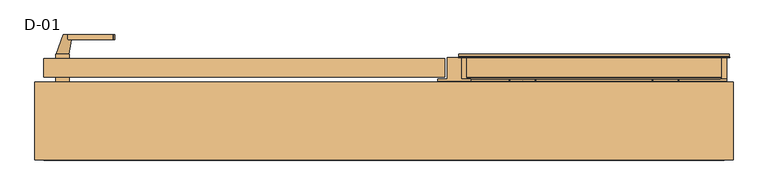
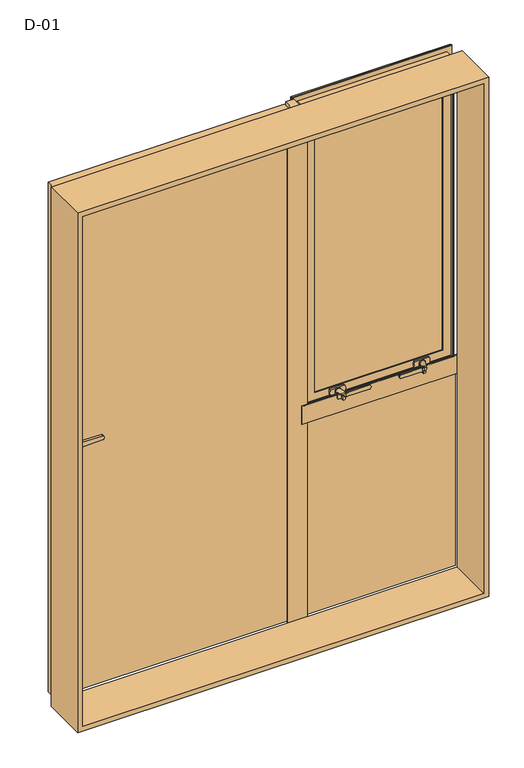
"""IFC4 building model written with IfcOpenShell, lengths in millimetres: door geometry, D-01."""

from ifc_helpers import new_model, si_unit, point, frame, frame_2d, origin, place, context, project, spatial, polyline, circle_curve, ellipse_curve, trimmed, segment, composite_curve, outline, extrude, source, transform, mapped, element, save
from ifc_brep_helpers import plane_surface, cylinder_surface, revolved_surface, spline_surface, advanced_brep


def d_01_6c0d4c41(model_context):
    return source(origin(), model_context, "Body", "SolidModel", [
        extrude(outline(polyline([(692.4, 81.9927198), (202.6, 81.9927198), (202.6, 107.9927198), (692.4, 107.9927198), (692.4, 81.9927198)])), frame((0.0, 0.0, 852.6000396), z_axis=(0.0, 0.0, 1.0), x_axis=(1.0, 0.0, 0.0)), (0.0, 0.0, 1.0), 1089.8),
        extrude(outline(polyline([(723.0, 74.3927452), (172.0, 74.3927452), (172.0, 100.3927452), (723.0, 100.3927452), (723.0, 74.3927452)])), frame((0.0, 0.0, 26.9999604), z_axis=(0.0, 0.0, 1.0), x_axis=(1.0, 0.0, 0.0)), (0.0, 0.0, 1.0), 751.0000396),
        extrude(outline(polyline([(1993.8, 743.8), (1993.8, -743.8), (6.2, -743.8), (6.2, 743.8), (1993.8, 743.8)]), holes=[polyline([(24.7, 725.3), (24.7, -725.3), (1975.3, -725.3), (1975.3, 725.3), (24.7, 725.3)])]), frame((0.0, -100.0, 0.0), z_axis=(0.0, 1.0, 0.0), x_axis=(0.0, 0.0, 1.0)), (0.0, 0.0, 1.0), 165.9999813),
        advanced_brep(
        [(679.4, 115.322822, 1929.4000396), (679.4, 115.322822, 865.6000396), (677.2575034, 107.9927198, 867.7425361), (677.2575034, 107.9927198, 1927.257543), (699.4, 107.9927198, 845.6000396), (699.4, 107.9927198, 1949.4000396), (195.6, 107.9927198, 1949.4000396), (195.6, 107.9927198, 845.6000396), (217.7424966, 107.9927198, 867.7425361), (217.7424966, 107.9927198, 1927.257543), (215.6, 115.322822, 865.6000396), (679.4, 126.5999122, 1929.4000396), (679.4, 126.5999122, 865.6000396), (215.6, 126.5999122, 865.6000396), (699.4, 126.5999122, 1949.4000396), (699.4, 126.5999122, 845.6000396), (195.6, 126.5999122, 845.6000396), (195.6, 126.5999122, 1949.4000396), (215.6, 126.5999122, 1929.4000396), (215.6, 115.322822, 1929.4000396)],
        [
            (0, 1),
            (1, 2, ellipse_curve(frame((659.7925883, 117.0756581, 885.2074513), z_axis=(-0.7071067811865475, 0.0, -0.7071067811865475), x_axis=(0.7071067811865474, 0.0, -0.7071067811865476)), 27.839649, 19.6856046)),
            (2, 3),
            (3, 0, ellipse_curve(frame((659.7925883, 117.0756581, 1909.7926278), z_axis=(-0.7071067811865475, 0.0, 0.7071067811865475), x_axis=(-0.7071067811865474, 0.0, -0.7071067811865476)), 27.839649, 19.6856046)),
            (4, 5),
            (5, 6),
            (6, 7),
            (7, 4),
            (2, 8),
            (8, 9),
            (9, 3),
            (1, 10),
            (10, 8, ellipse_curve(frame((235.2074117, 117.0756581, 885.2074513), z_axis=(-0.7071067811865475, 0.0, 0.7071067811865475), x_axis=(-0.7071067811865476, 0.0, -0.7071067811865474)), 27.839649, 19.6856046)),
            (11, 12),
            (12, 1),
            (0, 11),
            (12, 13),
            (13, 10),
            (14, 15),
            (15, 16),
            (16, 17),
            (17, 14),
            (11, 18),
            (18, 13),
            (4, 15),
            (14, 5),
            (7, 16),
            (10, 19),
            (19, 9, ellipse_curve(frame((235.2074117, 117.0756581, 1909.7926278), z_axis=(0.7071067811865475, 0.0, 0.7071067811865475), x_axis=(-0.7071067811865474, 0.0, 0.7071067811865476)), 27.839649, 19.6856046)),
            (18, 19),
            (6, 17),
            (19, 0),
        ],
        [
            revolved_surface(polyline([(679.4781929000001, 117.0756581, 865.5218467062466), (679.4781929000001, 117.0756581, 1929.4782323937534)]), (659.7925883, 117.0756581, 1949.4000396), (0.0, 0.0, -1.0)),
            plane_surface(frame((195.6, 107.9927198, 1949.4000396), z_axis=(0.0, -1.0, 0.0), x_axis=(1.0, 0.0, 0.0))),
            revolved_surface(polyline([(215.52180710624668, 117.0756581, 865.5218467), (679.4781928937533, 117.0756581, 865.5218467)]), (699.4, 117.0756581, 885.2074513), (-1.0, 0.0, 0.0)),
            plane_surface(frame((679.4, 115.322822, 1929.4000396), z_axis=(-1.0, 0.0, 0.0), x_axis=(0.0, 0.0, -1.0))),
            plane_surface(frame((679.4, 115.322822, 865.6000396), z_axis=(0.0, 0.0, 1.0), x_axis=(-1.0, 0.0, 0.0))),
            plane_surface(frame((215.6, 126.5999122, 1929.4000396), z_axis=(0.0, 1.0, 0.0), x_axis=(1.0, 0.0, 0.0))),
            plane_surface(frame((699.4, 126.5999122, 1949.4000396), z_axis=(1.0, 0.0, 0.0), x_axis=(0.0, 0.0, -1.0))),
            plane_surface(frame((699.4, 126.5999122, 845.6000396), z_axis=(0.0, 0.0, -1.0), x_axis=(-1.0, 0.0, 0.0))),
            revolved_surface(polyline([(215.5218071, 117.0756581, 1929.4782323937534), (215.5218071, 117.0756581, 865.5218467062467)]), (235.2074117, 117.0756581, 845.6000396), (0.0, 0.0, 1.0)),
            plane_surface(frame((215.6, 115.322822, 865.6000396), z_axis=(1.0, 0.0, 0.0), x_axis=(0.0, 0.0, 1.0))),
            plane_surface(frame((195.6, 126.5999122, 845.6000396), z_axis=(-1.0, 0.0, 0.0), x_axis=(0.0, 0.0, 1.0))),
            revolved_surface(polyline([(679.4781928937533, 117.0756581, 1929.4782324), (215.5218071062467, 117.0756581, 1929.4782324)]), (195.6, 117.0756581, 1909.7926278), (1.0, 0.0, 0.0)),
            plane_surface(frame((215.6, 115.322822, 1929.4000396), z_axis=(0.0, 0.0, -1.0), x_axis=(1.0, 0.0, 0.0))),
            plane_surface(frame((195.6, 126.5999122, 1949.4000396), z_axis=(0.0, 0.0, 1.0), x_axis=(1.0, 0.0, 0.0))),
        ],
        [
            (0, [[1, 2, 3, 4]]),
            (1, [[5, 6, 7, 8], [-3, 9, 10, 11]]),
            (2, [[12, 13, -9, -2]]),
            (3, [[14, 15, -1, 16]]),
            (4, [[17, 18, -12, -15]]),
            (5, [[19, 20, 21, 22], [-14, 23, 24, -17]]),
            (6, [[-5, 25, -19, 26]]),
            (7, [[-8, 27, -20, -25]]),
            (8, [[28, 29, -10, -13]]),
            (9, [[-24, 30, -28, -18]]),
            (10, [[-7, 31, -21, -27]]),
            (11, [[32, -4, -11, -29]]),
            (12, [[-23, -16, -32, -30]]),
            (13, [[-6, -26, -22, -31]]),
        ],
    ),
        extrude(outline(composite_curve([segment(polyline([(826.7, 591.567995), (826.7, 594.432005)]), True, "CONTINUOUS"), segment(trimmed(circle_curve(frame_2d((829.7, 594.432005)), 3.0), [point((826.7, 594.432005))], [point((829.5429921, 597.4278936))], False, "CARTESIAN"), True, "CONTINUOUS"), segment(polyline([(829.5429921, 597.4278936), (850.0, 598.5), (850.0, 587.5), (829.5429921, 588.5721064)]), True, "CONTINUOUS"), segment(trimmed(circle_curve(frame_2d((829.7, 591.567995)), 3.0), [point((829.5429921, 588.5721064))], [point((826.7, 591.567995))], False, "CARTESIAN"), True, "CONTINUOUS")], self_intersect=False)), frame((0.0, 42.4999039, 0.0), z_axis=(0.0, 1.0, 0.0), x_axis=(0.0, 0.0, 1.0)), (0.0, 0.0, 1.0), 4.9),
        extrude(outline(composite_curve([segment(polyline([(822.7, 596.2776261), (822.7, 601.7223739)]), True, "CONTINUOUS"), segment(trimmed(circle_curve(frame_2d((825.7, 601.7223739)), 3.0), [point((822.7, 601.7223739))], [point((825.5429921, 604.7182625))], False, "CARTESIAN"), True, "CONTINUOUS"), segment(polyline([(825.5429921, 604.7182625), (850.0, 606.0), (850.0, 592.0), (825.5429921, 593.2817375)]), True, "CONTINUOUS"), segment(trimmed(circle_curve(frame_2d((825.7, 596.2776261)), 3.0), [point((825.5429921, 593.2817375))], [point((822.7, 596.2776261))], False, "CARTESIAN"), True, "CONTINUOUS")], self_intersect=False)), frame((0.0, 59.2999039, 0.0), z_axis=(0.0, 1.0, 0.0), x_axis=(0.0, 0.0, 1.0)), (0.0, 0.0, 1.0), 5.3),
        extrude(outline(composite_curve([segment(trimmed(circle_curve(frame_2d((855.2, 503.2340659)), 2.0), [point((857.2, 503.2340659))], [point((855.9427814, 501.3771125))], False, "CARTESIAN"), True, "CONTINUOUS"), segment(polyline([(855.9427814, 501.3771125), (851.4855627, 499.5942251)]), True, "CONTINUOUS"), segment(trimmed(circle_curve(frame_2d((850.0, 503.3081318)), 4.0), [point((851.4855627, 499.5942251))], [point((848.5144373, 499.5942251))], False, "CARTESIAN"), True, "CONTINUOUS"), segment(polyline([(848.5144373, 499.5942251), (844.0572186, 501.3771125)]), True, "CONTINUOUS"), segment(trimmed(circle_curve(frame_2d((844.8, 503.2340659)), 2.0), [point((844.0572186, 501.3771125))], [point((842.8, 503.2340659))], False, "CARTESIAN"), True, "CONTINUOUS"), segment(polyline([(842.8, 503.2340659), (842.8, 589.0), (857.2, 589.0), (857.2, 503.2340659)]), True, "CONTINUOUS")], self_intersect=False)), frame((0.0, 34.5999039, 0.0), z_axis=(0.0, 1.0, 0.0), x_axis=(0.0, 0.0, 1.0)), (0.0, 0.0, 1.0), 7.0),
        extrude(outline(composite_curve([segment(trimmed(circle_curve(frame_2d((850.0, 600.0)), 7.0), [point((850.0, 607.0))], [point((850.0, 593.0))], False, "CARTESIAN"), True, "CONTINUOUS"), segment(trimmed(circle_curve(frame_2d((850.0, 600.0)), 7.0), [point((850.0, 593.0))], [point((850.0, 607.0))], False, "CARTESIAN"), True, "CONTINUOUS")], self_intersect=False)), frame((0.0, 64.5999039, 0.0), z_axis=(0.0, 1.0, 0.0), x_axis=(0.0, 0.0, 1.0)), (0.0, 0.0, 1.0), 1.5),
        advanced_brep(
        [(596.5, 34.5999039, 850.0), (581.5, 34.5999039, 850.0), (609.0, 64.5999039, 850.0), (591.0, 64.5999039, 850.0)],
        [
            (0, 1, circle_curve(frame((589.0, 34.5999039, 850.0), z_axis=(0.0, -1.0, 0.0), x_axis=(-1.0, 0.0, 0.0)), 7.5)),
            (1, 0, circle_curve(frame((589.0, 34.5999039, 850.0), z_axis=(0.0, -1.0, 0.0), x_axis=(-1.0, 0.0, 0.0)), 7.5)),
            (2, 3, circle_curve(frame((600.0, 64.5999039, 850.0), z_axis=(0.0, 1.0, 0.0), x_axis=(-1.0, 0.0, 0.0)), 9.0)),
            (3, 2, circle_curve(frame((600.0, 64.5999039, 850.0), z_axis=(0.0, 1.0, 0.0), x_axis=(-1.0, 0.0, 0.0)), 9.0)),
            (2, 0),
            (1, 3),
        ],
        [
            plane_surface(frame((589.0, 34.5999039, 850.0), z_axis=(0.0, -1.0, 0.0), x_axis=(0.0, 0.0, -1.0))),
            plane_surface(frame((600.0, 64.5999039, 850.0), z_axis=(0.0, 1.0, 0.0), x_axis=(0.0, 0.0, -1.0))),
            spline_surface(1, 2, [[(609.0, 64.5999039, 850.0), (609.0, 64.5999039, 841.0), (600.0, 64.5999039, 841.0), (591.0, 64.5999039, 841.0), (591.0, 64.5999039, 850.0)], [(596.5, 34.5999039, 850.0), (596.5, 34.5999039, 842.5), (589.0, 34.5999039, 842.5), (581.5, 34.5999039, 842.5), (581.5, 34.5999039, 850.0)]], [2, 2], [3, 2, 3], [0.0, 1.0], [0.0, 1.0, 2.0], weights=[[1.0, 0.7071067811865476, 1.0, 0.7071067811865476, 1.0], [1.0, 0.7071067811865476, 1.0, 0.7071067811865476, 1.0]]),
            spline_surface(1, 2, [[(591.0, 64.5999039, 850.0), (591.0, 64.5999039, 859.0), (600.0, 64.5999039, 859.0), (609.0, 64.5999039, 859.0), (609.0, 64.5999039, 850.0)], [(581.5, 34.5999039, 850.0), (581.5, 34.5999039, 857.5), (589.0, 34.5999039, 857.5), (596.5, 34.5999039, 857.5), (596.5, 34.5999039, 850.0)]], [2, 2], [3, 2, 3], [0.0, 1.0], [0.0, 1.0, 2.0], weights=[[1.0, 0.7071067811865476, 1.0, 0.7071067811865476, 1.0], [1.0, 0.7071067811865476, 1.0, 0.7071067811865476, 1.0]]),
        ],
        [
            (0, [[1, 2]]),
            (1, [[3, 4]]),
            (2, [[5, -2, 6, -3]]),
            (3, [[-6, -1, -5, -4]]),
        ],
    ),
        extrude(outline(composite_curve([segment(trimmed(circle_curve(frame_2d((850.0, 600.0)), 10.6), [point((850.0, 610.6))], [point((850.0, 589.4))], False, "CARTESIAN"), True, "CONTINUOUS"), segment(polyline([(850.0, 589.4), (838.95, 589.4), (838.95, 610.6), (850.0, 610.6)]), True, "CONTINUOUS")], self_intersect=False)), frame((0.0, 66.0999039, 0.0), z_axis=(0.0, 1.0, 0.0), x_axis=(0.0, 0.0, 1.0)), (0.0, 0.0, 1.0), 2.8),
        extrude(outline(composite_curve([segment(polyline([(838.95, 574.0), (838.95, 626.0)]), True, "CONTINUOUS"), segment(trimmed(circle_curve(frame_2d((850.0, 603.2967472)), 25.2495582), [point((838.95, 626.0))], [point((861.05, 626.0))], False, "CARTESIAN"), True, "CONTINUOUS"), segment(polyline([(861.05, 626.0), (861.05, 574.0)]), True, "CONTINUOUS"), segment(trimmed(circle_curve(frame_2d((850.0, 596.7032528)), 25.2495582), [point((861.05, 574.0))], [point((838.95, 574.0))], False, "CARTESIAN"), True, "CONTINUOUS")], self_intersect=False)), frame((0.0, 68.8999039, 0.0), z_axis=(0.0, 1.0, 0.0), x_axis=(0.0, 0.0, 1.0)), (0.0, 0.0, 1.0), 6.7),
        extrude(outline(composite_curve([segment(trimmed(circle_curve(frame_2d((829.7, 303.432005)), 3.0), [point((826.7, 303.432005))], [point((829.5429921, 306.4278936))], False, "CARTESIAN"), True, "CONTINUOUS"), segment(polyline([(829.5429921, 306.4278936), (850.0, 307.5), (850.0, 296.5), (829.5429921, 297.5721064)]), True, "CONTINUOUS"), segment(trimmed(circle_curve(frame_2d((829.7, 300.567995)), 3.0), [point((829.5429921, 297.5721064))], [point((826.7, 300.567995))], False, "CARTESIAN"), True, "CONTINUOUS"), segment(polyline([(826.7, 300.567995), (826.7, 303.432005)]), True, "CONTINUOUS")], self_intersect=False)), frame((0.0, 42.4999039, 0.0), z_axis=(0.0, 1.0, 0.0), x_axis=(0.0, 0.0, 1.0)), (0.0, 0.0, 1.0), 4.9),
        extrude(outline(composite_curve([segment(trimmed(circle_curve(frame_2d((825.7, 298.7223739)), 3.0), [point((822.7, 298.7223739))], [point((825.5429921, 301.7182625))], False, "CARTESIAN"), True, "CONTINUOUS"), segment(polyline([(825.5429921, 301.7182625), (850.0, 303.0), (850.0, 289.0), (825.5429921, 290.2817375)]), True, "CONTINUOUS"), segment(trimmed(circle_curve(frame_2d((825.7, 293.2776261)), 3.0), [point((825.5429921, 290.2817375))], [point((822.7, 293.2776261))], False, "CARTESIAN"), True, "CONTINUOUS"), segment(polyline([(822.7, 293.2776261), (822.7, 298.7223739)]), True, "CONTINUOUS")], self_intersect=False)), frame((0.0, 59.2999039, 0.0), z_axis=(0.0, 1.0, 0.0), x_axis=(0.0, 0.0, 1.0)), (0.0, 0.0, 1.0), 5.3),
        extrude(outline(composite_curve([segment(polyline([(857.2, 391.7659341), (857.2, 306.0), (842.8, 306.0), (842.8, 391.7659341)]), True, "CONTINUOUS"), segment(trimmed(circle_curve(frame_2d((844.8, 391.7659341)), 2.0), [point((842.8, 391.7659341))], [point((844.0572186, 393.6228875))], False, "CARTESIAN"), True, "CONTINUOUS"), segment(polyline([(844.0572186, 393.6228875), (848.5144373, 395.4057749)]), True, "CONTINUOUS"), segment(trimmed(circle_curve(frame_2d((850.0, 391.6918682)), 4.0), [point((848.5144373, 395.4057749))], [point((851.4855627, 395.4057749))], False, "CARTESIAN"), True, "CONTINUOUS"), segment(polyline([(851.4855627, 395.4057749), (855.9427814, 393.6228875)]), True, "CONTINUOUS"), segment(trimmed(circle_curve(frame_2d((855.2, 391.7659341)), 2.0), [point((855.9427814, 393.6228875))], [point((857.2, 391.7659341))], False, "CARTESIAN"), True, "CONTINUOUS")], self_intersect=False)), frame((0.0, 34.5999039, 0.0), z_axis=(0.0, 1.0, 0.0), x_axis=(0.0, 0.0, 1.0)), (0.0, 0.0, 1.0), 7.0),
        extrude(outline(composite_curve([segment(trimmed(circle_curve(frame_2d((850.0, 295.0)), 7.0), [point((850.0, 288.0))], [point((850.0, 302.0))], False, "CARTESIAN"), True, "CONTINUOUS"), segment(trimmed(circle_curve(frame_2d((850.0, 295.0)), 7.0), [point((850.0, 302.0))], [point((850.0, 288.0))], False, "CARTESIAN"), True, "CONTINUOUS")], self_intersect=False)), frame((0.0, 64.5999039, 0.0), z_axis=(0.0, 1.0, 0.0), x_axis=(0.0, 0.0, 1.0)), (0.0, 0.0, 1.0), 1.5),
        advanced_brep(
        [(298.5, 34.5999039, 850.0), (313.5, 34.5999039, 850.0), (286.0, 64.5999039, 850.0), (304.0, 64.5999039, 850.0)],
        [
            (0, 1, circle_curve(frame((306.0, 34.5999039, 850.0), z_axis=(0.0, -1.0, 0.0), x_axis=(1.0, 0.0, 0.0)), 7.5)),
            (1, 0, circle_curve(frame((306.0, 34.5999039, 850.0), z_axis=(0.0, -1.0, 0.0), x_axis=(1.0, 0.0, 0.0)), 7.5)),
            (2, 3, circle_curve(frame((295.0, 64.5999039, 850.0), z_axis=(0.0, 1.0, 0.0), x_axis=(1.0, 0.0, 0.0)), 9.0)),
            (3, 2, circle_curve(frame((295.0, 64.5999039, 850.0), z_axis=(0.0, 1.0, 0.0), x_axis=(1.0, 0.0, 0.0)), 9.0)),
            (3, 1),
            (0, 2),
        ],
        [
            plane_surface(frame((306.0, 34.5999039, 850.0), z_axis=(0.0, -1.0, 0.0), x_axis=(0.0, 0.0, -1.0))),
            plane_surface(frame((295.0, 64.5999039, 850.0), z_axis=(0.0, 1.0, 0.0), x_axis=(0.0, 0.0, -1.0))),
            spline_surface(2, 1, [[(286.0, 64.5999039, 850.0), (298.5, 34.5999039, 850.0)], [(286.0, 64.5999039, 841.0), (298.5, 34.5999039, 842.5)], [(295.0, 64.5999039, 841.0), (306.0, 34.5999039, 842.5)], [(304.0, 64.5999039, 841.0), (313.5, 34.5999039, 842.5)], [(304.0, 64.5999039, 850.0), (313.5, 34.5999039, 850.0)]], [3, 2, 3], [2, 2], [0.0, 1.0, 2.0], [0.0, 1.0], weights=[[1.0, 1.0], [0.7071067811865476, 0.7071067811865476], [1.0, 1.0], [0.7071067811865476, 0.7071067811865476], [1.0, 1.0]]),
            spline_surface(2, 1, [[(304.0, 64.5999039, 850.0), (313.5, 34.5999039, 850.0)], [(304.0, 64.5999039, 859.0), (313.5, 34.5999039, 857.5)], [(295.0, 64.5999039, 859.0), (306.0, 34.5999039, 857.5)], [(286.0, 64.5999039, 859.0), (298.5, 34.5999039, 857.5)], [(286.0, 64.5999039, 850.0), (298.5, 34.5999039, 850.0)]], [3, 2, 3], [2, 2], [0.0, 1.0, 2.0], [0.0, 1.0], weights=[[1.0, 1.0], [0.7071067811865476, 0.7071067811865476], [1.0, 1.0], [0.7071067811865476, 0.7071067811865476], [1.0, 1.0]]),
        ],
        [
            (0, [[1, 2]]),
            (1, [[3, 4]]),
            (2, [[-4, 5, -1, 6]]),
            (3, [[-3, -6, -2, -5]]),
        ],
    ),
        extrude(outline(composite_curve([segment(polyline([(850.0, 284.4), (838.95, 284.4), (838.95, 305.6), (850.0, 305.6)]), True, "CONTINUOUS"), segment(trimmed(circle_curve(frame_2d((850.0, 295.0)), 10.6), [point((850.0, 305.6))], [point((850.0, 284.4))], False, "CARTESIAN"), True, "CONTINUOUS")], self_intersect=False)), frame((0.0, 66.0999039, 0.0), z_axis=(0.0, 1.0, 0.0), x_axis=(0.0, 0.0, 1.0)), (0.0, 0.0, 1.0), 2.8),
        extrude(outline(composite_curve([segment(trimmed(circle_curve(frame_2d((850.0, 298.2967472)), 25.2495582), [point((838.95, 321.0))], [point((861.05, 321.0))], False, "CARTESIAN"), True, "CONTINUOUS"), segment(polyline([(861.05, 321.0), (861.05, 269.0)]), True, "CONTINUOUS"), segment(trimmed(circle_curve(frame_2d((850.0, 291.7032528)), 25.2495582), [point((861.05, 269.0))], [point((838.95, 269.0))], False, "CARTESIAN"), True, "CONTINUOUS"), segment(polyline([(838.95, 269.0), (838.95, 321.0)]), True, "CONTINUOUS")], self_intersect=False)), frame((0.0, 68.8999039, 0.0), z_axis=(0.0, 1.0, 0.0), x_axis=(0.0, 0.0, 1.0)), (0.0, 0.0, 1.0), 6.7),
        advanced_brep(
        [(735.8588651, 121.9999121, 1985.8588651), (735.8588651, 121.9999121, 809.1411349), (735.8588651, 126.5999121, 809.1411349), (735.8588651, 126.5999121, 1985.8588651), (159.1411349, 126.5999121, 1985.8588651), (159.1411349, 126.5999121, 809.1411349), (699.3588651, 126.5999121, 1949.3588651), (195.6411349, 126.5999121, 1949.3588651), (195.6411349, 126.5999121, 845.6411349), (699.3588651, 126.5999121, 845.6411349), (159.1411349, 121.9999121, 809.1411349), (159.1411349, 121.9999121, 1985.8588651), (161.2462336, 121.9999121, 1983.7537664), (733.7537664, 121.9999121, 1983.7537664), (733.7537664, 121.9999121, 811.2462336), (161.2462336, 121.9999121, 811.2462336), (736.4637148, 119.9946866, 1986.4637148), (736.4637148, 119.9946866, 808.5362852), (158.5362852, 119.9946866, 808.5362852), (737.2086873, 118.9999537, 1987.2086873), (737.2086873, 118.9999537, 807.7913127), (157.7913127, 118.9999537, 807.7913127), (157.7913127, 118.9999537, 1987.2086873), (176.6411322, 118.9999537, 1968.3588678), (718.3588678, 118.9999537, 1968.3588678), (718.3588678, 118.9999537, 826.6411322), (176.6411322, 118.9999537, 826.6411322), (718.3588678, 76.0999005, 1968.3588678), (718.3588678, 76.0999005, 826.6411322), (176.6411322, 76.0999005, 826.6411322), (717.8588679, 75.5999006, 1967.8588679), (717.8588679, 75.5999006, 827.1411321), (177.1411321, 75.5999006, 827.1411321), (718.144223, 74.6078271, 1968.144223), (718.144223, 74.6078271, 826.855777), (176.855777, 74.6078271, 826.855777), (715.4347904, 72.6034445, 1965.4347904), (715.4347904, 72.6034445, 829.5652096), (179.5652096, 72.6034445, 829.5652096), (179.5652096, 72.6034445, 1965.4347904), (182.9650333, 72.6034445, 1962.0349667), (712.0349667, 72.6034445, 1962.0349667), (712.0349667, 72.6034445, 832.9650333), (182.9650333, 72.6034445, 832.9650333), (708.8054323, 74.6078271, 1958.8054323), (708.8054323, 74.6078271, 836.1945677), (186.1945677, 74.6078271, 836.1945677), (708.340576, 75.5999039, 1958.340576), (708.340576, 75.5999039, 836.659424), (186.659424, 75.5999039, 836.659424), (186.659424, 75.5999039, 1958.340576), (215.6411291, 75.5999039, 1929.3588709), (679.3588709, 75.5999039, 1929.3588709), (679.3588709, 75.5999039, 865.6411291), (215.6411291, 75.5999039, 865.6411291), (679.3588709, 80.1999039, 1929.3588709), (679.3588709, 80.1999039, 865.6411291), (215.6411291, 80.1999039, 865.6411291), (195.6411349, 80.1999039, 1949.3588651), (699.3588651, 80.1999039, 1949.3588651), (699.3588651, 80.1999039, 845.6411349), (195.6411349, 80.1999039, 845.6411349), (215.6411291, 80.1999039, 1929.3588709), (158.5362852, 119.9946866, 1986.4637148), (176.6411322, 76.0999005, 1968.3588678), (177.1411321, 75.5999006, 1967.8588679), (176.855777, 74.6078271, 1968.144223), (186.1945677, 74.6078271, 1958.8054323)],
        [
            (0, 1),
            (1, 2),
            (2, 3),
            (3, 0),
            (4, 3),
            (2, 5),
            (5, 4),
            (6, 7),
            (7, 8),
            (8, 9),
            (9, 6),
            (1, 10),
            (10, 5),
            (0, 11),
            (11, 10),
            (12, 13),
            (13, 14),
            (14, 15),
            (15, 12),
            (16, 17),
            (17, 14, ellipse_curve(frame((737.5848432, 124.3436113, 807.4151568), z_axis=(-0.7071067811865475, 0.0, -0.7071067811865475), x_axis=(0.7071067811865474, 0.0, -0.7071067811865476)), 6.3513896, 4.4911107)),
            (13, 16, ellipse_curve(frame((737.5848432, 124.3436113, 1987.5848432), z_axis=(-0.7071067811865475, 0.0, 0.7071067811865475), x_axis=(-0.7071067811865474, 0.0, -0.7071067811865476)), 6.3513896, 4.4911107)),
            (17, 18),
            (18, 15, ellipse_curve(frame((157.4151568, 124.3436113, 807.4151568), z_axis=(-0.7071067811865475, 0.0, 0.7071067811865475), x_axis=(-0.7071067811865476, 0.0, -0.7071067811865474)), 6.3513896, 4.4911107)),
            (19, 20),
            (20, 17),
            (16, 19),
            (20, 21),
            (21, 18),
            (19, 22),
            (22, 21),
            (23, 24),
            (24, 25),
            (25, 26),
            (26, 23),
            (27, 28),
            (28, 25),
            (24, 27),
            (28, 29),
            (29, 26),
            (30, 31),
            (31, 28, ellipse_curve(frame((717.8588679, 76.0999005, 827.1411321), z_axis=(0.7071067811865475, 0.0, 0.7071067811865475), x_axis=(-0.7071067811865474, 0.0, 0.7071067811865476)), 0.7071066, 0.4999999)),
            (27, 30, ellipse_curve(frame((717.8588679, 76.0999005, 1967.8588679), z_axis=(0.7071067811865475, 0.0, -0.7071067811865475), x_axis=(0.7071067811865474, 0.0, 0.7071067811865476)), 0.7071066, 0.4999999)),
            (31, 32),
            (32, 29, ellipse_curve(frame((177.1411321, 76.0999005, 827.1411321), z_axis=(0.7071067811865475, 0.0, -0.7071067811865475), x_axis=(0.7071067811865476, 0.0, 0.7071067811865474)), 0.7071066, 0.4999999)),
            (33, 34),
            (34, 31),
            (30, 33),
            (34, 35),
            (35, 32),
            (36, 37),
            (37, 34, ellipse_curve(frame((719.2653514, 70.2589024, 825.7346486), z_axis=(-0.7071067811865475, 0.0, -0.7071067811865475), x_axis=(0.7071067811865474, 0.0, -0.7071067811865476)), 6.3513896, 4.4911107)),
            (33, 36, ellipse_curve(frame((719.2653514, 70.2589024, 1969.2653514), z_axis=(-0.7071067811865475, 0.0, 0.7071067811865475), x_axis=(-0.7071067811865474, 0.0, -0.7071067811865476)), 6.3513896, 4.4911107)),
            (37, 38),
            (38, 35, ellipse_curve(frame((175.7346486, 70.2589024, 825.7346486), z_axis=(-0.7071067811865475, 0.0, 0.7071067811865475), x_axis=(-0.7071067811865476, 0.0, -0.7071067811865474)), 6.3513896, 4.4911107)),
            (36, 39),
            (39, 38),
            (40, 41),
            (41, 42),
            (42, 43),
            (43, 40),
            (44, 45),
            (45, 42, ellipse_curve(frame((708.5540914, 70.5988943, 836.4459086), z_axis=(-0.7071067811865475, 0.0, -0.7071067811865475), x_axis=(0.7071067811865474, 0.0, -0.7071067811865476)), 5.6806187, 4.016804)),
            (41, 44, ellipse_curve(frame((708.5540914, 70.5988943, 1958.5540914), z_axis=(-0.7071067811865475, 0.0, 0.7071067811865475), x_axis=(-0.7071067811865474, 0.0, -0.7071067811865476)), 5.6806187, 4.016804)),
            (45, 46),
            (46, 43, ellipse_curve(frame((186.4459086, 70.5988943, 836.4459086), z_axis=(-0.7071067811865475, 0.0, 0.7071067811865475), x_axis=(-0.7071067811865476, 0.0, -0.7071067811865474)), 5.6806187, 4.016804)),
            (47, 48),
            (48, 45),
            (44, 47),
            (48, 49),
            (49, 46),
            (47, 50),
            (50, 49),
            (51, 52),
            (52, 53),
            (53, 54),
            (54, 51),
            (55, 56),
            (56, 53),
            (52, 55),
            (56, 57),
            (57, 54),
            (58, 59),
            (59, 60),
            (60, 61),
            (61, 58),
            (55, 62),
            (62, 57),
            (9, 60),
            (59, 6),
            (8, 61),
            (11, 4),
            (18, 63),
            (63, 12, ellipse_curve(frame((157.4151568, 124.3436113, 1987.5848432), z_axis=(0.7071067811865475, 0.0, 0.7071067811865475), x_axis=(-0.7071067811865474, 0.0, 0.7071067811865476)), 6.3513896, 4.4911107)),
            (22, 63),
            (29, 64),
            (64, 23),
            (32, 65),
            (65, 64, ellipse_curve(frame((177.1411321, 76.0999005, 1967.8588679), z_axis=(-0.7071067811865475, 0.0, -0.7071067811865475), x_axis=(0.7071067811865474, 0.0, -0.7071067811865476)), 0.7071066, 0.4999999)),
            (35, 66),
            (66, 65),
            (39, 66, ellipse_curve(frame((175.7346486, 70.2589024, 1969.2653514), z_axis=(0.7071067811865475, 0.0, 0.7071067811865475), x_axis=(-0.7071067811865474, 0.0, 0.7071067811865476)), 6.3513896, 4.4911107)),
            (46, 67),
            (67, 40, ellipse_curve(frame((186.4459086, 70.5988943, 1958.5540914), z_axis=(0.7071067811865475, 0.0, 0.7071067811865475), x_axis=(-0.7071067811865474, 0.0, 0.7071067811865476)), 5.6806187, 4.016804)),
            (50, 67),
            (62, 51),
            (7, 58),
            (63, 16),
            (64, 27),
            (65, 30),
            (66, 33),
            (67, 44),
        ],
        [
            plane_surface(frame((735.8588651, 126.5999121, 1985.8588651), z_axis=(1.0, 0.0, 0.0), x_axis=(0.0, 0.0, -1.0))),
            plane_surface(frame((195.6411349, 126.5999121, 845.6411349), z_axis=(0.0, 1.0, 0.0), x_axis=(0.0, 0.0, 1.0))),
            plane_surface(frame((735.8588651, 126.5999121, 809.1411349), z_axis=(0.0, 0.0, -1.0), x_axis=(-1.0, 0.0, 0.0))),
            plane_surface(frame((159.1411349, 121.9999121, 809.1411349), z_axis=(0.0, -1.0, 0.0), x_axis=(0.0, 0.0, 1.0))),
            revolved_surface(polyline([(742.0759539000001, 124.3436113, 802.9240461438822), (742.0759539000001, 124.3436113, 1992.0759538561178)]), (737.5848432, 124.3436113, 2000.0), (0.0, 0.0, -1.0)),
            revolved_surface(polyline([(152.92404614388226, 124.3436113, 802.9240460999999), (742.0759538561177, 124.3436113, 802.9240460999999)]), (750.0, 124.3436113, 807.4151568), (-1.0, 0.0, 0.0)),
            plane_surface(frame((736.4637148, 119.9946866, 1986.4637148), z_axis=(0.8004158635848707, 0.5994451145198247, 0.0), x_axis=(0.0, 0.0, -1.0))),
            plane_surface(frame((736.4637148, 119.9946866, 808.5362852), z_axis=(0.0, 0.5994451145198296, -0.800415863584867), x_axis=(-1.0, 0.0, 0.0))),
            plane_surface(frame((157.7913127, 118.9999537, 807.7913127), z_axis=(0.0, -1.0, 0.0), x_axis=(0.0, 0.0, 1.0))),
            plane_surface(frame((718.3588678, 118.9999537, 1968.3588678), z_axis=(1.0, 0.0, 0.0), x_axis=(0.0, 0.0, -1.0))),
            plane_surface(frame((718.3588678, 118.9999537, 826.6411322), z_axis=(0.0, 0.0, -1.0), x_axis=(-1.0, 0.0, 0.0))),
            cylinder_surface(frame((717.8588679, 76.0999005, 2000.0), z_axis=(0.0, 0.0, 1.0), x_axis=(1.0, 0.0, 0.0)), 0.4999999),
            cylinder_surface(frame((750.0, 76.0999005, 827.1411321), z_axis=(1.0, 0.0, 0.0), x_axis=(0.0, 0.0, -1.0)), 0.4999999),
            plane_surface(frame((717.8588679, 75.5999006, 1967.8588679), z_axis=(0.9610348327667624, 0.27642729642522856, 0.0), x_axis=(0.0, 0.0, -1.0))),
            plane_surface(frame((717.8588679, 75.5999006, 827.1411321), z_axis=(0.0, 0.27642729642523445, -0.9610348327667607), x_axis=(-1.0, 0.0, 0.0))),
            revolved_surface(polyline([(723.7564621, 70.2589024, 821.2435379438823), (723.7564621, 70.2589024, 1973.756462056118)]), (719.2653514, 70.2589024, 2000.0), (0.0, 0.0, -1.0)),
            revolved_surface(polyline([(171.2435379438823, 70.2589024, 821.2435379), (723.7564620561177, 70.2589024, 821.2435379)]), (750.0, 70.2589024, 825.7346486), (-1.0, 0.0, 0.0)),
            plane_surface(frame((179.5652096, 72.6034445, 829.5652096), z_axis=(0.0, -1.0, 0.0), x_axis=(0.0, 0.0, 1.0))),
            revolved_surface(polyline([(712.5708953999999, 70.5988943, 832.4291045958951), (712.5708953999999, 70.5988943, 1962.5708954041052)]), (708.5540914, 70.5988943, 2000.0), (0.0, 0.0, -1.0)),
            revolved_surface(polyline([(182.42910459589484, 70.5988943, 832.4291046000001), (712.570895404105, 70.5988943, 832.4291046000001)]), (750.0, 70.5988943, 836.4459086), (-1.0, 0.0, 0.0)),
            plane_surface(frame((708.8054323, 74.6078271, 1958.8054323), z_axis=(-0.9055219642805072, -0.4242993898246519, 0.0), x_axis=(0.0, 0.0, -1.0))),
            plane_surface(frame((708.8054323, 74.6078271, 836.1945677), z_axis=(0.0, -0.4242993898246574, 0.9055219642805047), x_axis=(-1.0, 0.0, 0.0))),
            plane_surface(frame((186.659424, 75.5999039, 836.659424), z_axis=(0.0, -1.0, 0.0), x_axis=(0.0, 0.0, 1.0))),
            plane_surface(frame((679.3588709, 75.5999039, 1929.3588709), z_axis=(-1.0, 0.0, 0.0), x_axis=(0.0, 0.0, -1.0))),
            plane_surface(frame((679.3588709, 75.5999039, 865.6411291), z_axis=(0.0, 0.0, 1.0), x_axis=(-1.0, 0.0, 0.0))),
            plane_surface(frame((215.6411291, 80.1999039, 865.6411291), z_axis=(0.0, 1.0, 0.0), x_axis=(0.0, 0.0, 1.0))),
            plane_surface(frame((699.3588651, 80.1999039, 1949.3588651), z_axis=(-1.0, 0.0, 0.0), x_axis=(0.0, 0.0, -1.0))),
            plane_surface(frame((699.3588651, 80.1999039, 845.6411349), z_axis=(0.0, 0.0, 1.0), x_axis=(-1.0, 0.0, 0.0))),
            plane_surface(frame((159.1411349, 126.5999121, 809.1411349), z_axis=(-1.0, 0.0, 0.0), x_axis=(0.0, 0.0, 1.0))),
            revolved_surface(polyline([(152.9240461, 124.3436113, 1992.0759538561178), (152.9240461, 124.3436113, 802.9240461438823)]), (157.4151568, 124.3436113, 795.0), (0.0, 0.0, 1.0)),
            plane_surface(frame((158.5362852, 119.9946866, 808.5362852), z_axis=(-0.8004158635848634, 0.5994451145198345, 0.0), x_axis=(0.0, 0.0, 1.0))),
            plane_surface(frame((176.6411322, 118.9999537, 826.6411322), z_axis=(-1.0, 0.0, 0.0), x_axis=(0.0, 0.0, 1.0))),
            cylinder_surface(frame((177.1411321, 76.0999005, 795.0), z_axis=(0.0, 0.0, -1.0), x_axis=(-1.0, 0.0, 0.0)), 0.4999999),
            plane_surface(frame((177.1411321, 75.5999006, 827.1411321), z_axis=(-0.961034832766759, 0.27642729642524033, 0.0), x_axis=(0.0, 0.0, 1.0))),
            revolved_surface(polyline([(171.2435379, 70.2589024, 1973.756462056118), (171.2435379, 70.2589024, 821.2435379438823)]), (175.7346486, 70.2589024, 795.0), (0.0, 0.0, 1.0)),
            revolved_surface(polyline([(182.4291046, 70.5988943, 1962.5708954041052), (182.4291046, 70.5988943, 832.429104595895)]), (186.4459086, 70.5988943, 795.0), (0.0, 0.0, 1.0)),
            plane_surface(frame((186.1945677, 74.6078271, 836.1945677), z_axis=(0.9055219642805021, -0.424299389824663, 0.0), x_axis=(0.0, 0.0, 1.0))),
            plane_surface(frame((215.6411291, 75.5999039, 865.6411291), z_axis=(1.0, 0.0, 0.0), x_axis=(0.0, 0.0, 1.0))),
            plane_surface(frame((195.6411349, 80.1999039, 845.6411349), z_axis=(1.0, 0.0, 0.0), x_axis=(0.0, 0.0, 1.0))),
            plane_surface(frame((159.1411349, 126.5999121, 1985.8588651), z_axis=(0.0, 0.0, 1.0), x_axis=(1.0, 0.0, 0.0))),
            revolved_surface(polyline([(742.0759538561177, 124.3436113, 1992.0759539), (152.9240461438823, 124.3436113, 1992.0759539)]), (145.0, 124.3436113, 1987.5848432), (1.0, 0.0, 0.0)),
            plane_surface(frame((158.5362852, 119.9946866, 1986.4637148), z_axis=(0.0, 0.5994451145198296, 0.800415863584867), x_axis=(1.0, 0.0, 0.0))),
            plane_surface(frame((176.6411322, 118.9999537, 1968.3588678), z_axis=(0.0, 0.0, 1.0), x_axis=(1.0, 0.0, 0.0))),
            cylinder_surface(frame((145.0, 76.0999005, 1967.8588679), z_axis=(-1.0, 0.0, 0.0), x_axis=(0.0, 0.0, 1.0)), 0.4999999),
            plane_surface(frame((177.1411321, 75.5999006, 1967.8588679), z_axis=(0.0, 0.27642729642523445, 0.9610348327667607), x_axis=(1.0, 0.0, 0.0))),
            revolved_surface(polyline([(723.7564620561177, 70.2589024, 1973.7564621000001), (171.2435379438823, 70.2589024, 1973.7564621000001)]), (145.0, 70.2589024, 1969.2653514), (1.0, 0.0, 0.0)),
            revolved_surface(polyline([(712.570895404105, 70.5988943, 1962.5708954000002), (182.4291045958949, 70.5988943, 1962.5708954000002)]), (145.0, 70.5988943, 1958.5540914), (1.0, 0.0, 0.0)),
            plane_surface(frame((186.1945677, 74.6078271, 1958.8054323), z_axis=(0.0, -0.4242993898246574, -0.9055219642805047), x_axis=(1.0, 0.0, 0.0))),
            plane_surface(frame((215.6411291, 75.5999039, 1929.3588709), z_axis=(0.0, 0.0, -1.0), x_axis=(1.0, 0.0, 0.0))),
            plane_surface(frame((195.6411349, 80.1999039, 1949.3588651), z_axis=(0.0, 0.0, -1.0), x_axis=(1.0, 0.0, 0.0))),
        ],
        [
            (0, [[1, 2, 3, 4]]),
            (1, [[5, -3, 6, 7], [8, 9, 10, 11]]),
            (2, [[12, 13, -6, -2]]),
            (3, [[14, 15, -12, -1], [16, 17, 18, 19]]),
            (4, [[20, 21, -17, 22]]),
            (5, [[23, 24, -18, -21]]),
            (6, [[25, 26, -20, 27]]),
            (7, [[28, 29, -23, -26]]),
            (8, [[30, 31, -28, -25], [32, 33, 34, 35]]),
            (9, [[36, 37, -33, 38]]),
            (10, [[39, 40, -34, -37]]),
            (11, [[41, 42, -36, 43]]),
            (12, [[44, 45, -39, -42]]),
            (13, [[46, 47, -41, 48]]),
            (14, [[49, 50, -44, -47]]),
            (15, [[51, 52, -46, 53]]),
            (16, [[54, 55, -49, -52]]),
            (17, [[56, 57, -54, -51], [58, 59, 60, 61]]),
            (18, [[62, 63, -59, 64]]),
            (19, [[65, 66, -60, -63]]),
            (20, [[67, 68, -62, 69]]),
            (21, [[70, 71, -65, -68]]),
            (22, [[72, 73, -70, -67], [74, 75, 76, 77]]),
            (23, [[78, 79, -75, 80]]),
            (24, [[81, 82, -76, -79]]),
            (25, [[83, 84, 85, 86], [87, 88, -81, -78]]),
            (26, [[-11, 89, -84, 90]]),
            (27, [[-10, 91, -85, -89]]),
            (28, [[-15, 92, -7, -13]]),
            (29, [[93, 94, -19, -24]]),
            (30, [[-31, 95, -93, -29]]),
            (31, [[96, 97, -35, -40]]),
            (32, [[98, 99, -96, -45]]),
            (33, [[100, 101, -98, -50]]),
            (34, [[-57, 102, -100, -55]]),
            (35, [[103, 104, -61, -66]]),
            (36, [[-73, 105, -103, -71]]),
            (37, [[-88, 106, -77, -82]]),
            (38, [[-9, 107, -86, -91]]),
            (39, [[-14, -4, -5, -92]]),
            (40, [[108, -22, -16, -94]]),
            (41, [[-30, -27, -108, -95]]),
            (42, [[109, -38, -32, -97]]),
            (43, [[110, -43, -109, -99]]),
            (44, [[111, -48, -110, -101]]),
            (45, [[-56, -53, -111, -102]]),
            (46, [[112, -64, -58, -104]]),
            (47, [[-72, -69, -112, -105]]),
            (48, [[-87, -80, -74, -106]]),
            (49, [[-8, -90, -83, -107]]),
        ],
    ),
        extrude(outline(polyline([(68.9990172, 764.9999652), (68.9990172, 835.0000026), (72.5990172, 835.0000026), (72.5990172, 815.0000187), (118.9999375, 815.0000187), (118.9999375, 784.9999813), (72.5990172, 784.9999813), (72.5990172, 764.9999652), (68.9990172, 764.9999652)])), frame((165.0, 0.0, 0.0), z_axis=(1.0, 0.0, 0.0), x_axis=(0.0, 1.0, 0.0)), (0.0, 0.0, 1.0), 565.0),
        advanced_brep(
        [(710.0, 107.7228474, 765.0), (710.0, 107.7228474, 39.9999604), (707.8575034, 100.3927452, 42.142457), (707.8575034, 100.3927452, 762.8575034), (730.0, 100.3927452, 19.9999604), (730.0, 100.3927452, 785.0), (165.0, 100.3927452, 785.0), (165.0, 100.3927452, 19.9999604), (187.1424966, 100.3927452, 42.142457), (187.1424966, 100.3927452, 762.8575034), (185.0, 107.7228474, 39.9999604), (710.0, 118.9999377, 765.0), (710.0, 118.9999377, 39.9999604), (185.0, 118.9999377, 39.9999604), (730.0, 118.9999377, 785.0), (730.0, 118.9999377, 19.9999604), (165.0, 118.9999377, 19.9999604), (165.0, 118.9999377, 785.0), (185.0, 118.9999377, 765.0), (185.0, 107.7228474, 765.0)],
        [
            (0, 1),
            (1, 2, ellipse_curve(frame((690.3925883, 109.4756835, 59.6073722), z_axis=(-0.7071067811865475, 0.0, -0.7071067811865475), x_axis=(0.7071067811865474, 0.0, -0.7071067811865476)), 27.839649, 19.6856046)),
            (2, 3),
            (3, 0, ellipse_curve(frame((690.3925883, 109.4756835, 745.3925883), z_axis=(-0.7071067811865475, 0.0, 0.7071067811865475), x_axis=(-0.7071067811865474, 0.0, -0.7071067811865476)), 27.839649, 19.6856046)),
            (4, 5),
            (5, 6),
            (6, 7),
            (7, 4),
            (2, 8),
            (8, 9),
            (9, 3),
            (1, 10),
            (10, 8, ellipse_curve(frame((204.6074117, 109.4756835, 59.6073722), z_axis=(-0.7071067811865475, 0.0, 0.7071067811865475), x_axis=(-0.7071067811865476, 0.0, -0.7071067811865474)), 27.839649, 19.6856046)),
            (11, 12),
            (12, 1),
            (0, 11),
            (12, 13),
            (13, 10),
            (14, 15),
            (15, 16),
            (16, 17),
            (17, 14),
            (11, 18),
            (18, 13),
            (4, 15),
            (14, 5),
            (7, 16),
            (10, 19),
            (19, 9, ellipse_curve(frame((204.6074117, 109.4756835, 745.3925883), z_axis=(0.7071067811865475, 0.0, 0.7071067811865475), x_axis=(-0.7071067811865474, 0.0, 0.7071067811865476)), 27.839649, 19.6856046)),
            (18, 19),
            (6, 17),
            (19, 0),
        ],
        [
            revolved_surface(polyline([(710.0781929000001, 109.4756835, 39.9217676062467), (710.0781929000001, 109.4756835, 765.0781928937533)]), (690.3925883, 109.4756835, 785.0), (0.0, 0.0, -1.0)),
            plane_surface(frame((165.0, 100.3927452, 785.0), z_axis=(0.0, -1.0, 0.0), x_axis=(1.0, 0.0, 0.0))),
            revolved_surface(polyline([(184.92180710624677, 109.4756835, 39.921767599999995), (710.0781928937533, 109.4756835, 39.921767599999995)]), (730.0, 109.4756835, 59.6073722), (-1.0, 0.0, 0.0)),
            plane_surface(frame((710.0, 107.7228474, 765.0), z_axis=(-1.0, 0.0, 0.0), x_axis=(0.0, 0.0, -1.0))),
            plane_surface(frame((710.0, 107.7228474, 39.9999604), z_axis=(0.0, 0.0, 1.0), x_axis=(-1.0, 0.0, 0.0))),
            plane_surface(frame((185.0, 118.9999377, 765.0), z_axis=(0.0, 1.0, 0.0), x_axis=(1.0, 0.0, 0.0))),
            plane_surface(frame((730.0, 118.9999377, 785.0), z_axis=(1.0, 0.0, 0.0), x_axis=(0.0, 0.0, -1.0))),
            plane_surface(frame((730.0, 118.9999377, 19.9999604), z_axis=(0.0, 0.0, -1.0), x_axis=(-1.0, 0.0, 0.0))),
            revolved_surface(polyline([(184.9218071, 109.4756835, 765.0781928937533), (184.9218071, 109.4756835, 39.92176760624672)]), (204.6074117, 109.4756835, 19.9999604), (0.0, 0.0, 1.0)),
            plane_surface(frame((185.0, 107.7228474, 39.9999604), z_axis=(1.0, 0.0, 0.0), x_axis=(0.0, 0.0, 1.0))),
            plane_surface(frame((165.0, 118.9999377, 19.9999604), z_axis=(-1.0, 0.0, 0.0), x_axis=(0.0, 0.0, 1.0))),
            revolved_surface(polyline([(710.0781928937533, 109.4756835, 765.0781929000001), (184.92180710624672, 109.4756835, 765.0781929000001)]), (165.0, 109.4756835, 745.3925883), (1.0, 0.0, 0.0)),
            plane_surface(frame((185.0, 107.7228474, 765.0), z_axis=(0.0, 0.0, -1.0), x_axis=(1.0, 0.0, 0.0))),
            plane_surface(frame((165.0, 118.9999377, 785.0), z_axis=(0.0, 0.0, 1.0), x_axis=(1.0, 0.0, 0.0))),
        ],
        [
            (0, [[1, 2, 3, 4]]),
            (1, [[5, 6, 7, 8], [-3, 9, 10, 11]]),
            (2, [[12, 13, -9, -2]]),
            (3, [[14, 15, -1, 16]]),
            (4, [[17, 18, -12, -15]]),
            (5, [[19, 20, 21, 22], [-14, 23, 24, -17]]),
            (6, [[-5, 25, -19, 26]]),
            (7, [[-8, 27, -20, -25]]),
            (8, [[28, 29, -10, -13]]),
            (9, [[-24, 30, -28, -18]]),
            (10, [[-7, 31, -21, -27]]),
            (11, [[32, -4, -11, -29]]),
            (12, [[-23, -16, -32, -30]]),
            (13, [[-6, -26, -22, -31]]),
        ],
    ),
        extrude(outline(polyline([(114.9999652, 68.9990172), (114.9999652, 72.5990172), (134.9999813, 72.5990172), (134.9999813, 118.9999375), (165.0000187, 118.9999375), (165.0000187, 72.5990172), (185.0000026, 72.5990172), (185.0000026, 68.9990172), (114.9999652, 68.9990172)])), frame((0.0, 0.0, 19.9999604), z_axis=(0.0, 0.0, 1.0), x_axis=(1.0, 0.0, 0.0)), (0.0, 0.0, 1.0), 1960.0000792),
        extrude(outline(composite_curve([segment(polyline([(895.7, -680.0), (908.3261365, -680.0)]), True, "CONTINUOUS"), segment(trimmed(circle_curve(frame_2d((915.2, -685.0)), 8.5), [point((908.3261365, -680.0))], [point((908.3261365, -690.0))], False, "CARTESIAN"), True, "CONTINUOUS"), segment(polyline([(908.3261365, -690.0), (895.7, -690.0)]), True, "CONTINUOUS"), segment(trimmed(circle_curve(frame_2d((895.7, -685.0)), 5.0), [point((895.7, -690.0))], [point((895.7, -680.0))], False, "CARTESIAN"), True, "CONTINUOUS")], self_intersect=False)), frame((0.0, 66.3, 0.0), z_axis=(0.0, 1.0, 0.0), x_axis=(0.0, 0.0, 1.0)), (0.0, 0.0, 1.0), 11.0),
        extrude(outline(composite_curve([segment(trimmed(circle_curve(frame_2d((956.1155661, -685.0)), 97.2636214), [point((860.0, -699.9))], [point((860.0, -670.1))], False, "CARTESIAN"), True, "CONTINUOUS"), segment(polyline([(860.0, -670.1), (1078.5, -670.1)]), True, "CONTINUOUS"), segment(trimmed(circle_curve(frame_2d((982.3844339, -685.0)), 97.2636214), [point((1078.5, -670.1))], [point((1078.5, -699.9))], False, "CARTESIAN"), True, "CONTINUOUS"), segment(polyline([(1078.5, -699.9), (860.0, -699.9)]), True, "CONTINUOUS")], self_intersect=False), holes=[composite_curve([segment(polyline([(895.7, -690.0), (908.3261365, -690.0)]), True, "CONTINUOUS"), segment(trimmed(circle_curve(frame_2d((915.2, -685.0)), 8.5), [point((908.3261365, -690.0))], [point((908.3261365, -680.0))], True, "CARTESIAN"), True, "CONTINUOUS"), segment(polyline([(908.3261365, -680.0), (895.7, -680.0)]), True, "CONTINUOUS"), segment(trimmed(circle_curve(frame_2d((895.7, -685.0)), 5.0), [point((895.7, -680.0))], [point((895.7, -690.0))], True, "CARTESIAN"), True, "CONTINUOUS")], self_intersect=False)]), frame((0.0, 67.3, 0.0), z_axis=(0.0, 1.0, 0.0), x_axis=(0.0, 0.0, 1.0)), (0.0, 0.0, 1.0), 10.0),
        extrude(outline(composite_curve([segment(polyline([(1009.5, -674.0), (990.5, -674.0), (993.0308731, -577.3498556)]), True, "CONTINUOUS"), segment(trimmed(circle_curve(frame_2d((995.0301877, -577.4022095)), 2.0), [point((993.0308731, -577.3498556))], [point((994.5125497, -575.4703579))], False, "CARTESIAN"), True, "CONTINUOUS"), segment(polyline([(994.5125497, -575.4703579), (1000.0, -574.0), (1005.4874503, -575.4703579)]), True, "CONTINUOUS"), segment(trimmed(circle_curve(frame_2d((1004.9698123, -577.4022095)), 2.0), [point((1005.4874503, -575.4703579))], [point((1006.9691269, -577.3498556))], False, "CARTESIAN"), True, "CONTINUOUS"), segment(polyline([(1006.9691269, -577.3498556), (1009.5, -674.0)]), True, "CONTINUOUS")], self_intersect=False)), frame((0.0, 26.3, 0.0), z_axis=(0.0, 1.0, 0.0), x_axis=(0.0, 0.0, 1.0)), (0.0, 0.0, 1.0), 10.0),
        advanced_brep(
        [(-683.5, 26.3, 1000.0), (-664.5, 26.3, 1000.0), (-698.4, 67.3, 1000.0), (-671.6, 67.3, 1000.0)],
        [
            (0, 1, circle_curve(frame((-674.0, 26.3, 1000.0), z_axis=(0.0, -1.0, 0.0), x_axis=(1.0, 0.0, 0.0)), 9.5)),
            (1, 0, circle_curve(frame((-674.0, 26.3, 1000.0), z_axis=(0.0, -1.0, 0.0), x_axis=(1.0, 0.0, 0.0)), 9.5)),
            (2, 3, circle_curve(frame((-685.0, 67.3, 1000.0), z_axis=(0.0, 1.0, 0.0), x_axis=(1.0, 0.0, 0.0)), 13.4)),
            (3, 2, circle_curve(frame((-685.0, 67.3, 1000.0), z_axis=(0.0, 1.0, 0.0), x_axis=(1.0, 0.0, 0.0)), 13.4)),
            (3, 1),
            (0, 2),
        ],
        [
            plane_surface(frame((-674.0, 26.3, 1000.0), z_axis=(0.0, -1.0, 0.0), x_axis=(0.0, 0.0, -1.0))),
            plane_surface(frame((-685.0, 67.3, 1000.0), z_axis=(0.0, 1.0, 0.0), x_axis=(0.0, 0.0, -1.0))),
            spline_surface(2, 1, [[(-698.4, 67.3, 1000.0), (-683.5, 26.3, 1000.0)], [(-698.4, 67.3, 986.6), (-683.5, 26.3, 990.5)], [(-685.0, 67.3, 986.6), (-674.0, 26.3, 990.5)], [(-671.6, 67.3, 986.6), (-664.5, 26.3, 990.5)], [(-671.6, 67.3, 1000.0), (-664.5, 26.3, 1000.0)]], [3, 2, 3], [2, 2], [0.0, 1.0, 2.0], [0.0, 1.0], weights=[[1.0, 1.0], [0.7071067811865476, 0.7071067811865476], [1.0, 1.0], [0.7071067811865476, 0.7071067811865476], [1.0, 1.0]]),
            spline_surface(2, 1, [[(-671.6, 67.3, 1000.0), (-664.5, 26.3, 1000.0)], [(-671.6, 67.3, 1013.4), (-664.5, 26.3, 1009.5)], [(-685.0, 67.3, 1013.4), (-674.0, 26.3, 1009.5)], [(-698.4, 67.3, 1013.4), (-683.5, 26.3, 1009.5)], [(-698.4, 67.3, 1000.0), (-683.5, 26.3, 1000.0)]], [3, 2, 3], [2, 2], [0.0, 1.0, 2.0], [0.0, 1.0], weights=[[1.0, 1.0], [0.7071067811865476, 0.7071067811865476], [1.0, 1.0], [0.7071067811865476, 0.7071067811865476], [1.0, 1.0]]),
        ],
        [
            (0, [[1, 2]]),
            (1, [[3, 4]]),
            (2, [[-4, 5, -1, 6]]),
            (3, [[-3, -6, -2, -5]]),
        ],
    ),
        extrude(outline(composite_curve([segment(polyline([(895.7, -680.0), (908.3261365, -680.0)]), True, "CONTINUOUS"), segment(trimmed(circle_curve(frame_2d((915.2, -685.0)), 8.5), [point((908.3261365, -680.0))], [point((908.3261365, -690.0))], False, "CARTESIAN"), True, "CONTINUOUS"), segment(polyline([(908.3261365, -690.0), (895.7, -690.0)]), True, "CONTINUOUS"), segment(trimmed(circle_curve(frame_2d((895.7, -685.0)), 5.0), [point((895.7, -690.0))], [point((895.7, -680.0))], False, "CARTESIAN"), True, "CONTINUOUS")], self_intersect=False)), frame((0.0, 116.3, 0.0), z_axis=(0.0, 1.0, 0.0), x_axis=(0.0, 0.0, 1.0)), (0.0, 0.0, 1.0), 11.0),
        extrude(outline(composite_curve([segment(trimmed(circle_curve(frame_2d((956.1155661, -685.0)), 97.2636214), [point((860.0, -699.9))], [point((860.0, -670.1))], False, "CARTESIAN"), True, "CONTINUOUS"), segment(polyline([(860.0, -670.1), (1078.5, -670.1)]), True, "CONTINUOUS"), segment(trimmed(circle_curve(frame_2d((982.3844339, -685.0)), 97.2636214), [point((1078.5, -670.1))], [point((1078.5, -699.9))], False, "CARTESIAN"), True, "CONTINUOUS"), segment(polyline([(1078.5, -699.9), (860.0, -699.9)]), True, "CONTINUOUS")], self_intersect=False), holes=[composite_curve([segment(polyline([(895.7, -690.0), (908.3261365, -690.0)]), True, "CONTINUOUS"), segment(trimmed(circle_curve(frame_2d((915.2, -685.0)), 8.5), [point((908.3261365, -690.0))], [point((908.3261365, -680.0))], True, "CARTESIAN"), True, "CONTINUOUS"), segment(polyline([(908.3261365, -680.0), (895.7, -680.0)]), True, "CONTINUOUS"), segment(trimmed(circle_curve(frame_2d((895.7, -685.0)), 5.0), [point((895.7, -680.0))], [point((895.7, -690.0))], True, "CARTESIAN"), True, "CONTINUOUS")], self_intersect=False)]), frame((0.0, 116.3, 0.0), z_axis=(0.0, 1.0, 0.0), x_axis=(0.0, 0.0, 1.0)), (0.0, 0.0, 1.0), 10.0),
        extrude(outline(composite_curve([segment(polyline([(1009.5, -674.0), (990.5, -674.0), (993.0308731, -577.3498556)]), True, "CONTINUOUS"), segment(trimmed(circle_curve(frame_2d((995.0301877, -577.4022095)), 2.0), [point((993.0308731, -577.3498556))], [point((994.5125497, -575.4703579))], False, "CARTESIAN"), True, "CONTINUOUS"), segment(polyline([(994.5125497, -575.4703579), (1000.0, -574.0), (1005.4874503, -575.4703579)]), True, "CONTINUOUS"), segment(trimmed(circle_curve(frame_2d((1004.9698123, -577.4022095)), 2.0), [point((1005.4874503, -575.4703579))], [point((1006.9691269, -577.3498556))], False, "CARTESIAN"), True, "CONTINUOUS"), segment(polyline([(1006.9691269, -577.3498556), (1009.5, -674.0)]), True, "CONTINUOUS")], self_intersect=False)), frame((0.0, 157.3, 0.0), z_axis=(0.0, 1.0, 0.0), x_axis=(0.0, 0.0, 1.0)), (0.0, 0.0, 1.0), 10.0),
        advanced_brep(
        [(-683.5, 167.3, 1000.0), (-664.5, 167.3, 1000.0), (-698.4, 126.3, 1000.0), (-671.6, 126.3, 1000.0)],
        [
            (0, 1, circle_curve(frame((-674.0, 167.3, 1000.0), z_axis=(0.0, 1.0, 0.0), x_axis=(1.0, 0.0, 0.0)), 9.5)),
            (1, 0, circle_curve(frame((-674.0, 167.3, 1000.0), z_axis=(0.0, 1.0, 0.0), x_axis=(1.0, 0.0, 0.0)), 9.5)),
            (2, 3, circle_curve(frame((-685.0, 126.3, 1000.0), z_axis=(0.0, -1.0, 0.0), x_axis=(1.0, 0.0, 0.0)), 13.4)),
            (3, 2, circle_curve(frame((-685.0, 126.3, 1000.0), z_axis=(0.0, -1.0, 0.0), x_axis=(1.0, 0.0, 0.0)), 13.4)),
            (2, 0),
            (1, 3),
        ],
        [
            plane_surface(frame((-674.0, 167.3, 1000.0), z_axis=(0.0, 1.0, 0.0), x_axis=(0.0, 0.0, -1.0))),
            plane_surface(frame((-685.0, 126.3, 1000.0), z_axis=(0.0, -1.0, 0.0), x_axis=(0.0, 0.0, -1.0))),
            spline_surface(1, 2, [[(-698.4, 126.3, 1000.0), (-698.4, 126.3, 986.6), (-685.0, 126.3, 986.6), (-671.6, 126.3, 986.6), (-671.6, 126.3, 1000.0)], [(-683.5, 167.3, 1000.0), (-683.5, 167.3, 990.5), (-674.0, 167.3, 990.5), (-664.5, 167.3, 990.5), (-664.5, 167.3, 1000.0)]], [2, 2], [3, 2, 3], [0.0, 1.0], [0.0, 1.0, 2.0], weights=[[1.0, 0.7071067811865476, 1.0, 0.7071067811865476, 1.0], [1.0, 0.7071067811865476, 1.0, 0.7071067811865476, 1.0]]),
            spline_surface(1, 2, [[(-671.6, 126.3, 1000.0), (-671.6, 126.3, 1013.4), (-685.0, 126.3, 1013.4), (-698.4, 126.3, 1013.4), (-698.4, 126.3, 1000.0)], [(-664.5, 167.3, 1000.0), (-664.5, 167.3, 1009.5), (-674.0, 167.3, 1009.5), (-683.5, 167.3, 1009.5), (-683.5, 167.3, 1000.0)]], [2, 2], [3, 2, 3], [0.0, 1.0], [0.0, 1.0, 2.0], weights=[[1.0, 0.7071067811865476, 1.0, 0.7071067811865476, 1.0], [1.0, 0.7071067811865476, 1.0, 0.7071067811865476, 1.0]]),
        ],
        [
            (0, [[1, 2]]),
            (1, [[3, 4]]),
            (2, [[5, -2, 6, -3]]),
            (3, [[-6, -1, -5, -4]]),
        ],
    ),
        extrude(outline(polyline([(129.0, 116.3), (129.0, 77.3), (-725.0, 77.3), (-725.0, 116.3), (129.0, 116.3)])), frame((0.0, 0.0, 25.0), z_axis=(0.0, 0.0, 1.0), x_axis=(1.0, 0.0, 0.0)), (0.0, 0.0, 1.0), 1950.0),
    ])


if __name__ == "__main__":
    model = new_model("IFC4")
    model_context = context("Model", 3, world=origin())
    ifc_project = project(units=[si_unit("LENGTHUNIT", "METRE", prefix="MILLI")], contexts=[model_context])
    site = spatial("IfcSite", under=ifc_project)
    building = spatial("IfcBuilding", under=site)
    placement = place(None, origin())
    d_01_shape = d_01_6c0d4c41(model_context)
    element("IfcDoor", 1, ObjectType="D-01", at=placement, inside=building, context=model_context, shape_type="MappedRepresentation", body=[
        mapped(d_01_shape, transform((0.0, 0.0, 0.0), x_axis=(1.0, 0.0, 0.0), y_axis=(0.0, 1.0, 0.0), z_axis=(0.0, 0.0, 1.0))),
    ])
    save(model, "model.ifc")
